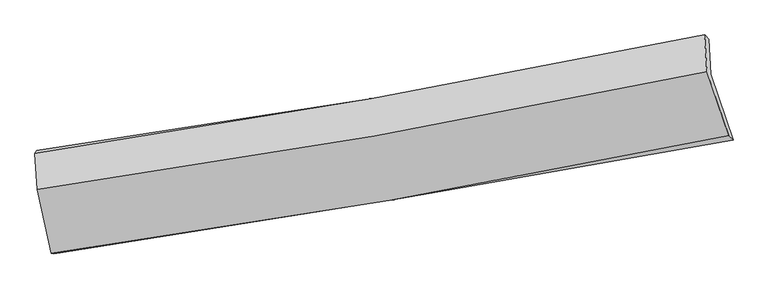
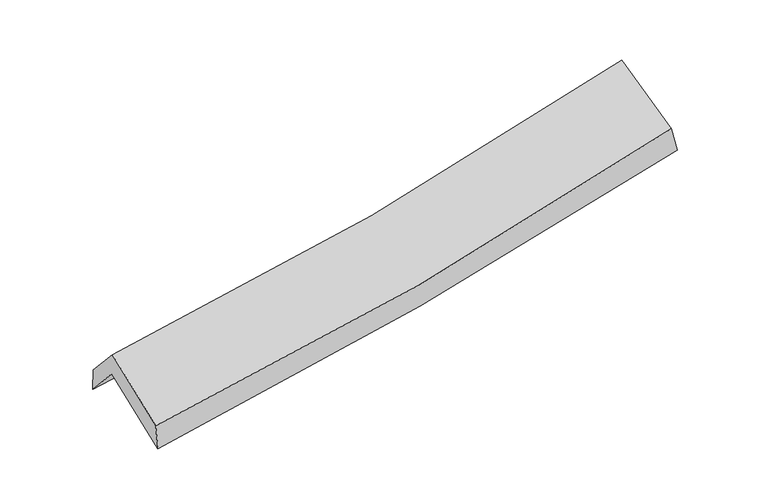
"""IFC4 building model written with IfcOpenShell, lengths in millimetres: proxy geometry."""

from ifc_helpers import new_model, si_unit, frame, origin, place, context, project, spatial, source, transform, mapped, element, save
from ifc_brep_helpers import plane_surface, spline_curve, spline_surface, advanced_brep


def generic_models_2f8374f3(model_context):
    return source(origin(), model_context, "Body", "AdvancedBrep", [
        advanced_brep(
        [(-2421.6591024, -2483.3188737, 1459.5051433), (-2531.9753404, -1975.6474529, 1885.1322891), (2447.1053237, -1149.8407455, 2376.2929703), (2613.2292605, -1637.7667967, 1952.1833285), (-2547.6111953, -1715.9116702, 1586.2979126), (2432.5896038, -889.3418872, 2061.8178564), (-2560.0201475, -1738.9808401, 1787.5224624), (2401.635036, -858.0744983, 2237.0915945), (-2543.1962221, -2003.9391056, 2081.3044138), (2419.466665, -1129.2992523, 2544.6933214), (-2439.1585818, -2480.4420025, 1675.5510059), (2580.1683105, -1603.5733773, 2138.0958235)],
        [
            (0, 1),
            (1, 2, spline_curve(3, [(-2531.9753404, -1975.6474529, 1885.1322891), (-1692.790222842, -1866.787992387, 1933.758740474), (-857.635185812, -1743.411458138, 1999.091627298), (802.033374037, -1468.052519942, 2162.915468506), (1626.57189163, -1316.160151599, 2261.302809091), (2447.1053237, -1149.8407455, 2376.2929703)], [4, 2, 4], [0.0, 8.382054573863192, 16.738075705922387])),
            (2, 3),
            (3, 0, spline_curve(3, [(2613.2292605, -1637.7667967, 1952.1833285), (1780.642196921, -1790.504041947, 1834.156397023), (945.431303518, -1937.235100287, 1734.122244426), (-732.848442664, -2219.123275594, 1569.78389374), (-1575.933670224, -2354.242909827, 1505.591984692), (-2421.6591024, -2483.3188737, 1459.5051433)], [4, 2, 4], [0.0, 8.356021132059196, 16.738075705922387])),
            (1, 4),
            (4, 5, spline_curve(3, [(-2547.6111953, -1715.9116702, 1586.2979126), (-1707.738913176, -1608.946146368, 1629.847140408), (-872.14719303, -1486.451320245, 1691.337911244), (787.89319174, -1210.831745415, 1849.955833747), (1612.36840467, -1057.803310809, 1946.971710907), (2432.5896038, -889.3418872, 2061.8178564)], [4, 2, 4], [0.0, 8.334906302746372, 16.643925599358127])),
            (5, 2),
            (4, 6),
            (6, 7, spline_curve(3, [(-2560.0201475, -1738.9808401, 1787.5224624), (-1725.269862159, -1614.991686682, 1835.694158044), (-893.785436371, -1479.456141658, 1897.323267913), (760.079369621, -1185.749082836, 2047.263109068), (1582.480005003, -1027.64918066, 2135.490376327), (2401.635036, -858.0744983, 2237.0915945)], [4, 2, 4], [0.0, 8.324490628739605, 16.623126600912435])),
            (7, 5),
            (6, 8),
            (8, 9, spline_curve(3, [(-2543.1962221, -2003.9391056, 2081.3044138), (-1706.069920844, -1886.135289857, 2120.697239154), (-873.315098023, -1754.211436215, 2179.098974417), (780.878752097, -1462.57724526, 2333.679838184), (1602.344891788, -1302.954480789, 2429.741072186), (2419.466665, -1129.2992523, 2544.6933214)], [4, 2, 4], [0.0, 8.316199702380317, 16.60657049860469])),
            (9, 7),
            (8, 10),
            (10, 11, spline_curve(3, [(-2439.1585818, -2480.4420025, 1675.5510059), (-1592.599243766, -2362.674352006, 1714.343184675), (-750.398537944, -2230.582243746, 1772.374503981), (922.683393781, -1938.203860802, 1926.675432216), (1753.591651989, -1778.006427159, 2022.825718811), (2580.1683105, -1603.5733773, 2138.0958235)], [4, 2, 4], [0.0, 8.364026995954339, 16.70207654113841])),
            (11, 9),
            (10, 0),
            (3, 11),
        ],
        [
            spline_surface(3, 3, [[(-2421.6591024, -2483.3188737, 1459.5051433), (-1575.933670252, -2354.242909766, 1505.591984815), (-732.8484427, -2219.123275716, 1569.783893836), (945.431303554, -1937.235100166, 1734.12224433), (1780.642196966, -1790.504041875, 1834.156397046), (2613.2292605, -1637.7667967, 1952.1833285)], [(-2458.43118172, -2314.095066773, 1601.380858556), (-1614.885854458, -2191.757937319, 1648.31423673), (-774.444023777, -2060.55266988, 1712.886471637), (897.63199369, -1780.84090675, 1877.053319104), (1729.285428552, -1632.389411795, 1976.538534373), (2557.854614917, -1475.124779614, 2093.553209077)], [(-2495.20326108, -2144.871259827, 1743.256573844), (-1653.838038705, -2029.272964853, 1791.036488677), (-816.039604757, -1901.98206402, 1855.989049396), (849.832683923, -1624.446713312, 2019.984393834), (1677.928660087, -1474.274781773, 2118.920671769), (2502.479969283, -1312.482762586, 2234.923089723)], [(-2531.9753404, -1975.6474529, 1885.1322891), (-1692.790222912, -1866.787992405, 1933.758740592), (-857.635185834, -1743.411458185, 1999.091627197), (802.033374059, -1468.052519896, 2162.915468607), (1626.571891673, -1316.160151693, 2261.302809097), (2447.1053237, -1149.8407455, 2376.2929703)]], [4, 4], [4, 2, 4], [0.0, 2.139535275340383], [0.0, 8.382054573863192, 16.738075705922387]),
            spline_surface(3, 3, [[(-2531.9753404, -1975.6474529, 1885.1322891), (-1692.790222912, -1866.787992405, 1933.758740592), (-857.635185834, -1743.411458185, 1999.091627197), (802.033374059, -1468.052519896, 2162.915468607), (1626.571891673, -1316.160151693, 2261.302809097), (2447.1053237, -1149.8407455, 2376.2929703)], [(-2537.187292024, -1889.068858657, 1785.520830261), (-1697.77311966, -1780.840710404, 1832.454873854), (-862.47252155, -1657.75807882, 1896.507055188), (797.319979948, -1382.312261723, 2058.595590302), (1621.83739597, -1230.041204709, 2156.525776363), (2442.266750395, -1063.007792737, 2271.467932359)], [(-2542.399243676, -1802.490264443, 1685.909371439), (-1702.756016437, -1694.893428432, 1731.151007134), (-867.309857284, -1572.104699552, 1793.922483243), (792.606585821, -1296.572003646, 1954.275712063), (1617.10290028, -1143.922257714, 2051.748743552), (2437.428177105, -976.174839963, 2166.642894341)], [(-2547.6111953, -1715.9116702, 1586.2979126), (-1707.738913185, -1608.94614643, 1629.847140396), (-872.147193, -1486.451320187, 1691.337911234), (787.89319171, -1210.831745473, 1849.955833758), (1612.368404577, -1057.803310731, 1946.971710819), (2432.5896038, -889.3418872, 2061.8178564)]], [4, 4], [4, 2, 4], [0.0, 1.3230240057643237], [0.0, 8.334906302746372, 16.643925599358127]),
            spline_surface(3, 3, [[(-2547.6111953, -1715.9116702, 1586.2979126), (-1707.738913185, -1608.94614643, 1629.847140396), (-872.147193, -1486.451320187, 1691.337911234), (787.89319171, -1210.831745473, 1849.955833758), (1612.368404577, -1057.803310731, 1946.971710819), (2432.5896038, -889.3418872, 2061.8178564)], [(-2551.7475127, -1723.601393503, 1653.372762522), (-1713.582562867, -1610.961326534, 1698.462812903), (-879.359940803, -1484.119594006, 1759.999696799), (778.621917697, -1202.470857959, 1915.724925514), (1602.405604727, -1047.751934083, 2009.811265989), (2422.271414522, -878.919424243, 2120.24243574)], [(-2555.8838301, -1731.291116797, 1720.447612478), (-1719.426212549, -1612.97650663, 1767.078485444), (-886.572688612, -1481.787867784, 1828.661482378), (769.350643678, -1194.109970405, 1981.494017283), (1592.44280491, -1037.700557404, 2072.65082124), (2411.953225278, -868.496961257, 2178.66701516)], [(-2560.0201475, -1738.9808401, 1787.5224624), (-1725.269862231, -1614.991686734, 1835.694157951), (-893.785436415, -1479.456141603, 1897.323267943), (760.079369665, -1185.749082891, 2047.263109038), (1582.480005059, -1027.649180756, 2135.490376411), (2401.635036, -858.0744983, 2237.0915945)]], [4, 4], [4, 2, 4], [0.0, 0.6686309294326321], [0.0, 8.324490628739605, 16.623126600912435]),
            spline_surface(3, 3, [[(-2560.0201475, -1738.9808401, 1787.5224624), (-1725.269862231, -1614.991686734, 1835.694157951), (-893.785436415, -1479.456141603, 1897.323267943), (760.079369665, -1185.749082891, 2047.263109038), (1582.480005059, -1027.649180756, 2135.490376411), (2401.635036, -858.0744983, 2237.0915945)], [(-2554.412172381, -1827.300261922, 1885.449779532), (-1718.869881762, -1705.372887738, 1930.695185061), (-886.961990282, -1571.041239831, 1991.248503454), (767.012497163, -1278.025136981, 2142.735352077), (1589.101633965, -1119.41761412, 2233.573941667), (2407.578912334, -948.48274962, 2339.625503492)], [(-2548.804197219, -1915.619683778, 1983.377096668), (-1712.469901251, -1795.754088776, 2025.696212174), (-880.138544184, -1662.626338072, 2085.173738951), (773.945624627, -1370.301191084, 2238.2075951), (1595.723262869, -1211.186047526, 2331.657506848), (2413.522788666, -1038.89100098, 2442.159412408)], [(-2543.1962221, -2003.9391056, 2081.3044138), (-1706.069920782, -1886.13528978, 2120.697239284), (-873.315098051, -1754.211436301, 2179.098974462), (780.878752125, -1462.577245174, 2333.679838139), (1602.344891774, -1302.954480891, 2429.741072105), (2419.466665, -1129.2992523, 2544.6933214)]], [4, 4], [4, 2, 4], [0.0, 1.300767777297206], [0.0, 8.316199702380317, 16.60657049860469]),
            spline_surface(3, 3, [[(-2543.1962221, -2003.9391056, 2081.3044138), (-1706.069920782, -1886.13528978, 2120.697239284), (-873.315098051, -1754.211436301, 2179.098974462), (780.878752125, -1462.577245174, 2333.679838139), (1602.344891774, -1302.954480891, 2429.741072105), (2419.466665, -1129.2992523, 2544.6933214)], [(-2508.517008668, -2162.773404576, 1946.053277852), (-1668.246361757, -2044.981643827, 1985.245887802), (-832.342911326, -1913.001705446, 2043.524150977), (828.146965982, -1621.119450392, 2198.011702838), (1652.760478507, -1461.305129691, 2294.102621023), (2473.033880156, -1287.390627318, 2409.1608221)], [(-2473.837795232, -2321.607703524, 1810.802141848), (-1630.422802729, -2203.827997846, 1849.794536265), (-791.370724593, -2071.791974583, 1907.949327469), (875.415179848, -1779.661655601, 2062.343567514), (1703.17606527, -1619.655778437, 2158.464169942), (2526.601095344, -1445.482002282, 2273.6283228)], [(-2439.1585818, -2480.4420025, 1675.5510059), (-1592.599243704, -2362.674351894, 1714.343184783), (-750.398537868, -2230.582243729, 1772.374503984), (922.683393705, -1938.203860819, 1926.675432213), (1753.591652002, -1778.006427237, 2022.82571886), (2580.1683105, -1603.5733773, 2138.0958235)]], [4, 4], [4, 2, 4], [0.0, 2.0998035125969596], [0.0, 8.364026995954339, 16.70207654113841]),
            spline_surface(3, 3, [[(-2439.1585818, -2480.4420025, 1675.5510059), (-1592.599243704, -2362.674351894, 1714.343184783), (-750.398537868, -2230.582243729, 1772.374503984), (922.683393705, -1938.203860819, 1926.675432213), (1753.591652002, -1778.006427237, 2022.82571886), (2580.1683105, -1603.5733773, 2138.0958235)], [(-2433.325422009, -2481.40095957, 1603.535718376), (-1587.044052562, -2359.863871188, 1644.75945147), (-744.548506129, -2226.762587737, 1704.8443006), (930.266030338, -1937.880940614, 1862.491036252), (1762.608500332, -1782.172298784, 1959.935944921), (2591.188627175, -1614.971183767, 2076.124991832)], [(-2427.492262191, -2482.35991663, 1531.520430824), (-1581.488861394, -2357.053390472, 1575.175718128), (-738.698474439, -2222.942931707, 1637.314097219), (937.848666922, -1937.558020371, 1798.306640292), (1771.625348636, -1786.338170328, 1897.046170985), (2602.208943825, -1626.368990233, 2014.154160168)], [(-2421.6591024, -2483.3188737, 1459.5051433), (-1575.933670252, -2354.242909766, 1505.591984815), (-732.8484427, -2219.123275716, 1569.783893836), (945.431303554, -1937.235100166, 1734.12224433), (1780.642196966, -1790.504041875, 1834.156397046), (2613.2292605, -1637.7667967, 1952.1833285)]], [4, 4], [4, 2, 4], [0.0, 0.651932682247577], [0.0, 8.419532044820059, 16.81291424826481]),
            plane_surface(frame((2482.3656999, -1211.3160929, 2218.3624824), z_axis=(0.9677469234188854, 0.2141347268121101, 0.1327110055209638), x_axis=(0.24913262490545365, -0.7352579206930734, -0.6303401663116646))),
            plane_surface(frame((-2507.2700982, -2066.3733242, 1745.8855378), z_axis=(-0.9857777456195549, -0.14892771789842724, -0.07786379828132518), x_axis=(-0.08072739037413411, 0.013271383694898995, 0.9966478609911351))),
        ],
        [
            (0, [[1, 2, 3, 4]]),
            (1, [[5, 6, 7, -2]]),
            (2, [[8, 9, 10, -6]]),
            (3, [[11, 12, 13, -9]]),
            (4, [[14, 15, 16, -12]]),
            (5, [[17, -4, 18, -15]]),
            (6, [[-16, -18, -3, -7, -10, -13]]),
            (7, [[-17, -14, -11, -8, -5, -1]]),
        ],
    ),
    ])


if __name__ == "__main__":
    model = new_model("IFC4")
    model_context = context("Model", 3, world=origin())
    ifc_project = project(units=[si_unit("LENGTHUNIT", "METRE", prefix="MILLI")], contexts=[model_context])
    site = spatial("IfcSite", under=ifc_project)
    building = spatial("IfcBuilding", under=site)
    placement = place(None, origin())
    generic_models_shape = generic_models_2f8374f3(model_context)
    element("IfcBuildingElementProxy", 1, Name="Generic Models", at=placement, inside=building, context=model_context, shape_type="MappedRepresentation", body=[
        mapped(generic_models_shape, transform((0.0, 0.0, 0.0), x_axis=(1.0, 0.0, 0.0), y_axis=(0.0, 1.0, 0.0), z_axis=(0.0, 0.0, 1.0))),
    ])
    save(model, "model.ifc")
